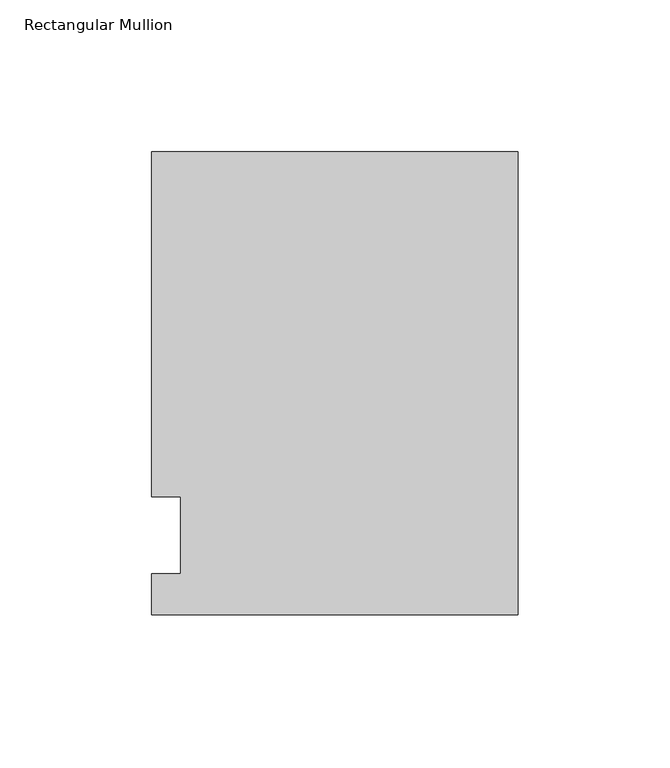
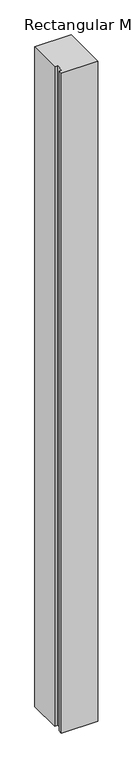
"""IFC4 building model written with IfcOpenShell, lengths in millimetres: member geometry, Rectangular Mullion."""

from ifc_helpers import new_model, si_unit, frame, origin, place, context, project, spatial, polyline, outline, extrude, source, transform, mapped, element, save


def rectangular_mullion_42496afa(model_context):
    return source(origin(), model_context, "Body", "SweptSolid", [
        extrude(outline(polyline([(-120.65, -26.19375), (-120.65, -12.7), (-111.125, -12.7), (-111.125, 12.7), (-120.65, 12.7), (-120.65, 126.20625), (0.0, 126.20625), (0.0, -26.19375), (-120.65, -26.19375)])), frame((0.0, 0.0, -2311.4), z_axis=(0.0, 0.0, 1.0), x_axis=(1.0, 0.0, 0.0)), (0.0, 0.0, 1.0), 2311.4),
    ])


if __name__ == "__main__":
    model = new_model("IFC4")
    model_context = context("Model", 3, world=origin())
    ifc_project = project(units=[si_unit("LENGTHUNIT", "METRE", prefix="MILLI")], contexts=[model_context])
    site = spatial("IfcSite", under=ifc_project)
    building = spatial("IfcBuilding", under=site)
    placement = place(None, origin())
    rectangular_mullion_shape = rectangular_mullion_42496afa(model_context)
    element("IfcMember", 1, ObjectType="Rectangular Mullion", at=placement, inside=building, context=model_context, shape_type="MappedRepresentation", body=[
        mapped(rectangular_mullion_shape, transform((0.0, 0.0, 0.0), x_axis=(1.0, 0.0, 0.0), y_axis=(0.0, 1.0, 0.0), z_axis=(0.0, 0.0, 1.0))),
    ])
    save(model, "model.ifc")
